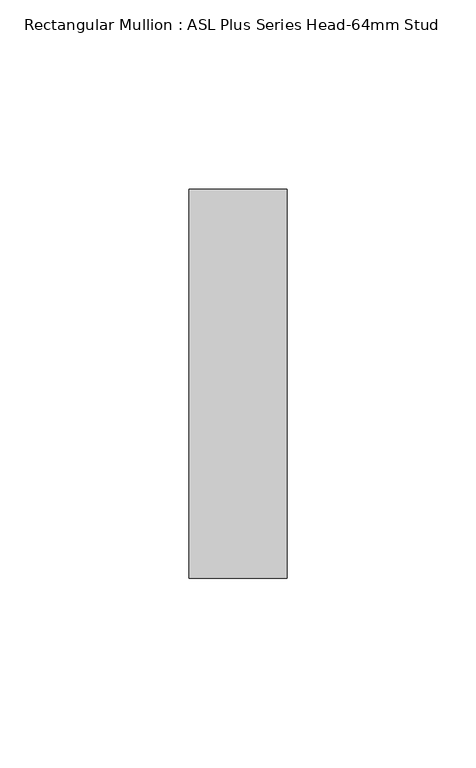
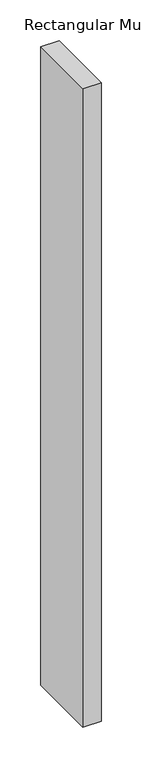
"""IFC4 building model written with IfcOpenShell, lengths in millimetres: member geometry, Rectangular Mullion : ASL Plus Series Head-64mm Stud."""

from ifc_helpers import new_model, si_unit, frame, origin, place, context, project, spatial, polyline, outline, extrude, source, transform, mapped, element, save


def rectangular_mullion_asl_plus_series_head_64mm_stud_16090abd(model_context):
    return source(origin(), model_context, "Body", "SweptSolid", [
        extrude(outline(polyline([(0.0, 51.5), (0.0, -51.5), (-26.0, -51.5), (-26.0, 51.5), (0.0, 51.5)])), frame((0.0, 0.0, -956.0), z_axis=(0.0, 0.0, 1.0), x_axis=(1.0, 0.0, 0.0)), (0.0, 0.0, 1.0), 956.0),
    ])


if __name__ == "__main__":
    model = new_model("IFC4")
    model_context = context("Model", 3, world=origin())
    ifc_project = project(units=[si_unit("LENGTHUNIT", "METRE", prefix="MILLI")], contexts=[model_context])
    site = spatial("IfcSite", under=ifc_project)
    building = spatial("IfcBuilding", under=site)
    placement = place(None, origin())
    rectangular_mullion_asl_plus_series_head_64mm_stud_shape = rectangular_mullion_asl_plus_series_head_64mm_stud_16090abd(model_context)
    element("IfcMember", 1, ObjectType="Rectangular Mullion : ASL Plus Series Head-64mm Stud", at=placement, inside=building, context=model_context, shape_type="MappedRepresentation", body=[
        mapped(rectangular_mullion_asl_plus_series_head_64mm_stud_shape, transform((0.0, 0.0, 0.0), x_axis=(1.0, 0.0, 0.0), y_axis=(0.0, 1.0, 0.0), z_axis=(0.0, 0.0, 1.0))),
    ])
    save(model, "model.ifc")
